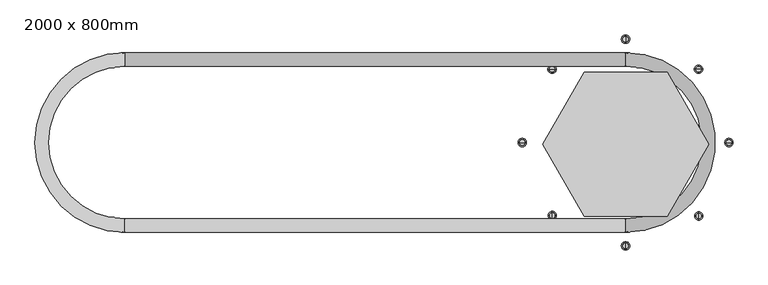
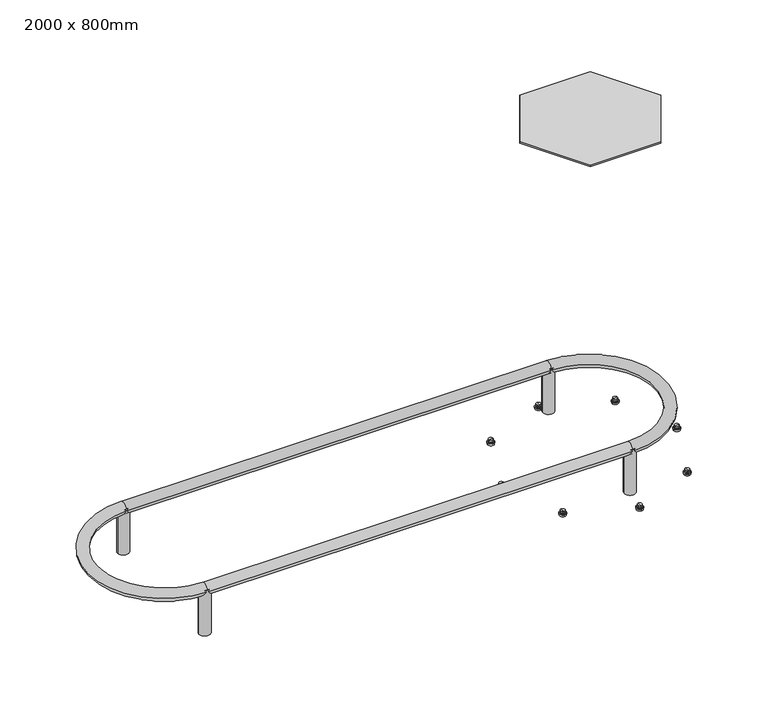
"""IFC4 building model written with IfcOpenShell, lengths in millimetres: furniture geometry, 2000 x 800mm."""

from ifc_helpers import new_model, si_unit, point, frame, frame_2d, origin, place, context, project, spatial, polyline, circle_curve, ellipse_curve, trimmed, segment, composite_curve, outline, extrude, source, transform, mapped, element, save
from ifc_brep_helpers import plane_surface, cylinder_surface, revolved_surface, advanced_brep


def furniture_2000_x_800mm_be9dba4f(model_context):
    return source(origin(), model_context, "Body", "SolidModel", [
        extrude(outline(composite_curve([segment(trimmed(circle_curve(frame_2d((0.0, 199.9998093)), 16.0), [point((-16.0, 199.9998093))], [point((16.0, 199.9998093))], False, "CARTESIAN"), True, "CONTINUOUS"), segment(trimmed(circle_curve(frame_2d((0.0, 199.9998093)), 16.0), [point((16.0, 199.9998093))], [point((-16.0, 199.9998093))], False, "CARTESIAN"), True, "CONTINUOUS")], self_intersect=False)), frame((0.0, 0.0, 22.6762868), z_axis=(0.0, 0.0, 1.0), x_axis=(1.0, 0.0, 0.0)), (0.0, 0.0, 1.0), 136.0123259),
        extrude(outline(composite_curve([segment(trimmed(circle_curve(frame_2d((0.0, -199.9998093)), 16.0), [point((-16.0, -199.9998093))], [point((16.0, -199.9998093))], False, "CARTESIAN"), True, "CONTINUOUS"), segment(trimmed(circle_curve(frame_2d((0.0, -199.9998093)), 16.0), [point((16.0, -199.9998093))], [point((-16.0, -199.9998093))], False, "CARTESIAN"), True, "CONTINUOUS")], self_intersect=False)), frame((0.0, 0.0, 22.6762868), z_axis=(0.0, 0.0, 1.0), x_axis=(1.0, 0.0, 0.0)), (0.0, 0.0, 1.0), 136.0123259),
        extrude(outline(composite_curve([segment(trimmed(circle_curve(frame_2d((1206.1968359, 199.9998093)), 16.0), [point((1190.1968359, 199.9998093))], [point((1222.1968359, 199.9998093))], False, "CARTESIAN"), True, "CONTINUOUS"), segment(trimmed(circle_curve(frame_2d((1206.1968359, 199.9998093)), 16.0), [point((1222.1968359, 199.9998093))], [point((1190.1968359, 199.9998093))], False, "CARTESIAN"), True, "CONTINUOUS")], self_intersect=False)), frame((0.0, 0.0, 22.6762868), z_axis=(0.0, 0.0, 1.0), x_axis=(1.0, 0.0, 0.0)), (0.0, 0.0, 1.0), 136.0123259),
        extrude(outline(composite_curve([segment(trimmed(circle_curve(frame_2d((1206.1968359, -199.9998093)), 16.0), [point((1190.1968359, -199.9998093))], [point((1222.1968359, -199.9998093))], False, "CARTESIAN"), True, "CONTINUOUS"), segment(trimmed(circle_curve(frame_2d((1206.1968359, -199.9998093)), 16.0), [point((1222.1968359, -199.9998093))], [point((1190.1968359, -199.9998093))], False, "CARTESIAN"), True, "CONTINUOUS")], self_intersect=False)), frame((0.0, 0.0, 22.6762868), z_axis=(0.0, 0.0, 1.0), x_axis=(1.0, 0.0, 0.0)), (0.0, 0.0, 1.0), 136.0123259),
        advanced_brep(
        [(1206.1968359, -216.2461451, 153.9999893), (1206.1968359, 216.2461451, 153.9999893), (1206.1968359, 183.7534734, 153.9999893), (1206.1968359, -183.7534734, 153.9999893), (0.0, -183.7534734, 153.9999893), (0.0, -216.2461451, 153.9999893), (0.0, 216.2461451, 153.9999893), (0.0, 183.7534734, 153.9999893)],
        [
            (0, 1, circle_curve(frame((1206.1968359, 0.0, 153.9999893), z_axis=(0.0, 0.0, 1.0), x_axis=(0.0, 1.0, 0.0)), 216.2461451)),
            (1, 2, circle_curve(frame((1206.1968359, 199.9998093, 153.9999893), z_axis=(1.0, 0.0, 0.0), x_axis=(0.0, 1.0, 0.0)), 16.2463359)),
            (2, 3, circle_curve(frame((1206.1968359, 0.0, 153.9999893), z_axis=(0.0, 0.0, -1.0), x_axis=(0.0, 1.0, 0.0)), 183.7534734)),
            (3, 0, circle_curve(frame((1206.1968359, -199.9998093, 153.9999893), z_axis=(1.0, 0.0, 0.0), x_axis=(0.0, -1.0, 0.0)), 16.2463359)),
            (2, 1, circle_curve(frame((1206.1968359, 199.9998093, 153.9999893), z_axis=(1.0, 0.0, 0.0), x_axis=(0.0, 1.0, 0.0)), 16.2463359)),
            (0, 3, circle_curve(frame((1206.1968359, -199.9998093, 153.9999893), z_axis=(1.0, 0.0, 0.0), x_axis=(0.0, -1.0, 0.0)), 16.2463359)),
            (3, 4),
            (4, 5, circle_curve(frame((0.0, -199.9998093, 153.9999893), z_axis=(1.0, 0.0, 0.0), x_axis=(0.0, -1.0, 0.0)), 16.2463359)),
            (5, 0),
            (5, 4, circle_curve(frame((0.0, -199.9998093, 153.9999893), z_axis=(1.0, 0.0, 0.0), x_axis=(0.0, -1.0, 0.0)), 16.2463359)),
            (6, 5, circle_curve(frame((0.0, 0.0, 153.9999893), z_axis=(0.0, 0.0, 1.0), x_axis=(0.0, -1.0, 0.0)), 216.2461451)),
            (4, 7, circle_curve(frame((0.0, 0.0, 153.9999893), z_axis=(0.0, 0.0, -1.0), x_axis=(0.0, -1.0, 0.0)), 183.7534734)),
            (7, 6, circle_curve(frame((0.0, 199.9998093, 153.9999893), z_axis=(-1.0, 0.0, 0.0), x_axis=(0.0, 1.0, 0.0)), 16.2463359)),
            (6, 7, circle_curve(frame((0.0, 199.9998093, 153.9999893), z_axis=(-1.0, 0.0, 0.0), x_axis=(0.0, 1.0, 0.0)), 16.2463359)),
            (7, 2),
            (1, 6),
        ],
        [
            revolved_surface(trimmed(ellipse_curve(frame((1206.1968359, 199.9998093, 153.9999893), z_axis=(-1.0, 0.0, 0.0), x_axis=(0.0, 1.0, 0.0)), 16.2463359, 16.2463359), [point((1206.1968359, 183.7534734, 153.9999893))], [point((1206.1968359, 216.2461451, 153.9999893))], True, "CARTESIAN"), (1206.1968359, 0.0, 0.0), (0.0, 0.0, -1.0)),
            revolved_surface(trimmed(ellipse_curve(frame((1206.1968359, 199.9998093, 153.9999893), z_axis=(-1.0, 0.0, 0.0), x_axis=(0.0, 1.0, 0.0)), 16.2463359, 16.2463359), [point((1206.1968359, 216.2461451, 153.9999893))], [point((1206.1968359, 183.7534734, 153.9999893))], True, "CARTESIAN"), (1206.1968359, 0.0, 0.0), (0.0, 0.0, -1.0)),
            cylinder_surface(frame((1206.1968359, -199.9998093, 153.9999893), z_axis=(1.0, 0.0, 0.0), x_axis=(0.0, -1.0, 0.0)), 16.2463359),
            revolved_surface(trimmed(ellipse_curve(frame((0.0, -199.9998093, 153.9999893), z_axis=(1.0, 0.0, 0.0), x_axis=(0.0, -1.0, 0.0)), 16.2463359, 16.2463359), [point((0.0, -183.7534734, 153.9999893))], [point((0.0, -216.2461451, 153.9999893))], True, "CARTESIAN"), (0.0, 0.0, 0.0), (0.0, 0.0, -1.0)),
            revolved_surface(trimmed(ellipse_curve(frame((0.0, -199.9998093, 153.9999893), z_axis=(1.0, 0.0, 0.0), x_axis=(0.0, -1.0, 0.0)), 16.2463359, 16.2463359), [point((0.0, -216.2461451, 153.9999893))], [point((0.0, -183.7534734, 153.9999893))], True, "CARTESIAN"), (0.0, 0.0, 0.0), (0.0, 0.0, -1.0)),
            cylinder_surface(frame((0.0, 199.9998093, 153.9999893), z_axis=(-1.0, 0.0, 0.0), x_axis=(0.0, 1.0, 0.0)), 16.2463359),
        ],
        [
            (0, [[1, 2, 3, 4]]),
            (1, [[-3, 5, -1, 6]]),
            (2, [[-4, 7, 8, 9]]),
            (2, [[-6, -9, 10, -7]]),
            (3, [[11, -8, 12, 13]]),
            (4, [[-12, -10, -11, 14]]),
            (5, [[-13, 15, -2, 16]]),
            (5, [[-14, -16, -5, -15]]),
        ],
    ),
        extrude(outline(polyline([(1106.1968882, 168.5153562), (1306.1967837, 168.5153562), (1406.1965794, -4.6898216), (1306.1967715, -177.8950728), (1106.1968914, -177.8950728), (1006.1968202, -4.6903452), (1106.1968882, 168.5153562)])), frame((0.0, 0.0, 1018.9250885), z_axis=(0.0, 0.0, 1.0), x_axis=(1.0, 0.0, 0.0)), (0.0, 0.0, 1.0), 5.0391748),
        advanced_brep(
        [(1375.6003837, 176.3714444, 13.7177537), (1388.5727198, 176.3714444, 13.7177537), (1382.0865517, 176.3714444, 13.7177537), (1375.6003837, 176.3714444, 9.5464368), (1388.5727198, 176.3714444, 9.5464368), (1378.7415913, 176.3714444, 9.5464368), (1385.4315122, 176.3714444, 9.5464368), (1378.7415913, 176.3714444, 6.7188998), (1385.4315122, 176.3714444, 6.7188998), (1375.0404536, 176.3714444, 6.7188998), (1389.1326499, 176.3714444, 6.7188998), (1375.0404536, 176.3714444, 5.5990832), (1389.1326499, 176.3714444, 5.5990832), (1371.9608383, 176.3714444, 5.5990832), (1392.2122652, 176.3714444, 5.5990832), (1373.0806984, 176.3714444, 0.0), (1391.0924051, 176.3714444, 0.0), (1382.0865517, 176.3714444, 0.0)],
        [
            (0, 1, circle_curve(frame((1382.0865517, 176.3714444, 13.7177537), z_axis=(0.0, 0.0, 1.0), x_axis=(1.0, 0.0, 0.0)), 6.4861681)),
            (1, 2),
            (2, 0),
            (1, 0, circle_curve(frame((1382.0865517, 176.3714444, 13.7177537), z_axis=(0.0, 0.0, 1.0), x_axis=(1.0, 0.0, 0.0)), 6.4861681)),
            (3, 4, circle_curve(frame((1382.0865517, 176.3714444, 9.5464368), z_axis=(0.0, 0.0, 1.0), x_axis=(1.0, 0.0, 0.0)), 6.4861681)),
            (4, 1),
            (0, 3),
            (4, 3, circle_curve(frame((1382.0865517, 176.3714444, 9.5464368), z_axis=(0.0, 0.0, 1.0), x_axis=(1.0, 0.0, 0.0)), 6.4861681)),
            (5, 6, circle_curve(frame((1382.0865517, 176.3714444, 9.5464368), z_axis=(0.0, 0.0, 1.0), x_axis=(1.0, 0.0, 0.0)), 3.3449605)),
            (6, 4),
            (3, 5),
            (6, 5, circle_curve(frame((1382.0865517, 176.3714444, 9.5464368), z_axis=(0.0, 0.0, 1.0), x_axis=(1.0, 0.0, 0.0)), 3.3449605)),
            (7, 8, circle_curve(frame((1382.0865517, 176.3714444, 6.7188998), z_axis=(0.0, 0.0, 1.0), x_axis=(1.0, 0.0, 0.0)), 3.3449605)),
            (8, 6),
            (5, 7),
            (8, 7, circle_curve(frame((1382.0865517, 176.3714444, 6.7188998), z_axis=(0.0, 0.0, 1.0), x_axis=(1.0, 0.0, 0.0)), 3.3449605)),
            (9, 10, circle_curve(frame((1382.0865517, 176.3714444, 6.7188998), z_axis=(0.0, 0.0, 1.0), x_axis=(1.0, 0.0, 0.0)), 7.0460981)),
            (10, 8),
            (7, 9),
            (10, 9, circle_curve(frame((1382.0865517, 176.3714444, 6.7188998), z_axis=(0.0, 0.0, 1.0), x_axis=(1.0, 0.0, 0.0)), 7.0460981)),
            (11, 12, circle_curve(frame((1382.0865517, 176.3714444, 5.5990832), z_axis=(0.0, 0.0, 1.0), x_axis=(1.0, 0.0, 0.0)), 7.0460981)),
            (12, 10),
            (9, 11),
            (12, 11, circle_curve(frame((1382.0865517, 176.3714444, 5.5990832), z_axis=(0.0, 0.0, 1.0), x_axis=(1.0, 0.0, 0.0)), 7.0460981)),
            (13, 14, circle_curve(frame((1382.0865517, 176.3714444, 5.5990832), z_axis=(0.0, 0.0, 1.0), x_axis=(1.0, 0.0, 0.0)), 10.1257135)),
            (14, 12),
            (11, 13),
            (14, 13, circle_curve(frame((1382.0865517, 176.3714444, 5.5990832), z_axis=(0.0, 0.0, 1.0), x_axis=(1.0, 0.0, 0.0)), 10.1257135)),
            (15, 16, circle_curve(frame((1382.0865517, 176.3714444, 0.0), z_axis=(0.0, 0.0, 1.0), x_axis=(1.0, 0.0, 0.0)), 9.0058533)),
            (16, 14),
            (13, 15),
            (16, 15, circle_curve(frame((1382.0865517, 176.3714444, 0.0), z_axis=(0.0, 0.0, 1.0), x_axis=(1.0, 0.0, 0.0)), 9.0058533)),
            (17, 16),
            (15, 17),
        ],
        [
            plane_surface(frame((1382.0865517, 176.3714444, 13.7177537), z_axis=(0.0, 0.0, 1.0), x_axis=(1.0, 0.0, 0.0))),
            cylinder_surface(frame((1382.0865517, 176.3714444, 9.5464368), z_axis=(0.0, 0.0, -1.0), x_axis=(1.0, 0.0, 0.0)), 6.4861681),
            plane_surface(frame((1382.0865517, 176.3714444, 9.5464368), z_axis=(0.0, 0.0, -1.0), x_axis=(1.0, 0.0, 0.0))),
            cylinder_surface(frame((1382.0865517, 176.3714444, 9.5464368), z_axis=(0.0, 0.0, -1.0), x_axis=(1.0, 0.0, 0.0)), 3.3449605),
            plane_surface(frame((1382.0865517, 176.3714444, 6.7188998), z_axis=(0.0, 0.0, 1.0), x_axis=(1.0, 0.0, 0.0))),
            cylinder_surface(frame((1382.0865517, 176.3714444, 9.5464368), z_axis=(0.0, 0.0, -1.0), x_axis=(1.0, 0.0, 0.0)), 7.0460981),
            plane_surface(frame((1382.0865517, 176.3714444, 5.5990832), z_axis=(0.0, 0.0, 1.0), x_axis=(1.0, 0.0, 0.0))),
            revolved_surface(polyline([(1392.2122652, 176.3714444, 5.5990832), (1391.0924051, 176.3714444, 0.0)]), (1382.0865517, 176.3714444, 9.5464368), (0.0, 0.0, -1.0)),
            plane_surface(frame((1382.0865517, 176.3714444, 0.0), z_axis=(0.0, 0.0, -1.0), x_axis=(1.0, 0.0, 0.0))),
        ],
        [
            (0, [[1, 2, 3]]),
            (0, [[4, -3, -2]]),
            (1, [[5, 6, -1, 7]]),
            (1, [[8, -7, -4, -6]]),
            (2, [[9, 10, -5, 11]]),
            (2, [[12, -11, -8, -10]]),
            (3, [[13, 14, -9, 15]]),
            (3, [[16, -15, -12, -14]]),
            (4, [[17, 18, -13, 19]]),
            (4, [[20, -19, -16, -18]]),
            (5, [[21, 22, -17, 23]]),
            (5, [[24, -23, -20, -22]]),
            (6, [[25, 26, -21, 27]]),
            (6, [[28, -27, -24, -26]]),
            (7, [[29, 30, -25, 31]]),
            (7, [[32, -31, -28, -30]]),
            (8, [[33, -29, 34]]),
            (8, [[-34, -32, -33]]),
        ],
    ),
        advanced_brep(
        [(1029.8253915, -175.8897158, 13.7177537), (1029.8253915, -182.3758839, 13.7177537), (1029.8253915, -169.4035477, 13.7177537), (1029.8253915, -182.3758839, 9.5464368), (1029.8253915, -169.4035477, 9.5464368), (1029.8253915, -179.2346763, 9.5464368), (1029.8253915, -172.5447553, 9.5464368), (1029.8253915, -179.2346763, 6.7188998), (1029.8253915, -172.5447553, 6.7188998), (1029.8253915, -182.935814, 6.7188998), (1029.8253915, -168.8436177, 6.7188998), (1029.8253915, -182.935814, 5.5990832), (1029.8253915, -168.8436177, 5.5990832), (1029.8253915, -186.0154293, 5.5990832), (1029.8253915, -165.7640024, 5.5990832), (1029.8253915, -184.8955692, 0.0), (1029.8253915, -166.8838625, 0.0), (1029.8253915, -175.8897158, 0.0)],
        [
            (0, 1),
            (1, 2, circle_curve(frame((1029.8253915, -175.8897158, 13.7177537), z_axis=(0.0, 0.0, 1.0), x_axis=(0.0, -1.0, 0.0)), 6.4861681)),
            (2, 0),
            (2, 1, circle_curve(frame((1029.8253915, -175.8897158, 13.7177537), z_axis=(0.0, 0.0, 1.0), x_axis=(0.0, -1.0, 0.0)), 6.4861681)),
            (1, 3),
            (3, 4, circle_curve(frame((1029.8253915, -175.8897158, 9.5464368), z_axis=(0.0, 0.0, 1.0), x_axis=(0.0, -1.0, 0.0)), 6.4861681)),
            (4, 2),
            (4, 3, circle_curve(frame((1029.8253915, -175.8897158, 9.5464368), z_axis=(0.0, 0.0, 1.0), x_axis=(0.0, -1.0, 0.0)), 6.4861681)),
            (3, 5),
            (5, 6, circle_curve(frame((1029.8253915, -175.8897158, 9.5464368), z_axis=(0.0, 0.0, 1.0), x_axis=(0.0, -1.0, 0.0)), 3.3449605)),
            (6, 4),
            (6, 5, circle_curve(frame((1029.8253915, -175.8897158, 9.5464368), z_axis=(0.0, 0.0, 1.0), x_axis=(0.0, -1.0, 0.0)), 3.3449605)),
            (5, 7),
            (7, 8, circle_curve(frame((1029.8253915, -175.8897158, 6.7188998), z_axis=(0.0, 0.0, 1.0), x_axis=(0.0, -1.0, 0.0)), 3.3449605)),
            (8, 6),
            (8, 7, circle_curve(frame((1029.8253915, -175.8897158, 6.7188998), z_axis=(0.0, 0.0, 1.0), x_axis=(0.0, -1.0, 0.0)), 3.3449605)),
            (7, 9),
            (9, 10, circle_curve(frame((1029.8253915, -175.8897158, 6.7188998), z_axis=(0.0, 0.0, 1.0), x_axis=(0.0, -1.0, 0.0)), 7.0460981)),
            (10, 8),
            (10, 9, circle_curve(frame((1029.8253915, -175.8897158, 6.7188998), z_axis=(0.0, 0.0, 1.0), x_axis=(0.0, -1.0, 0.0)), 7.0460981)),
            (9, 11),
            (11, 12, circle_curve(frame((1029.8253915, -175.8897158, 5.5990832), z_axis=(0.0, 0.0, 1.0), x_axis=(0.0, -1.0, 0.0)), 7.0460981)),
            (12, 10),
            (12, 11, circle_curve(frame((1029.8253915, -175.8897158, 5.5990832), z_axis=(0.0, 0.0, 1.0), x_axis=(0.0, -1.0, 0.0)), 7.0460981)),
            (11, 13),
            (13, 14, circle_curve(frame((1029.8253915, -175.8897158, 5.5990832), z_axis=(0.0, 0.0, 1.0), x_axis=(0.0, -1.0, 0.0)), 10.1257135)),
            (14, 12),
            (14, 13, circle_curve(frame((1029.8253915, -175.8897158, 5.5990832), z_axis=(0.0, 0.0, 1.0), x_axis=(0.0, -1.0, 0.0)), 10.1257135)),
            (13, 15),
            (15, 16, circle_curve(frame((1029.8253915, -175.8897158, 0.0), z_axis=(0.0, 0.0, 1.0), x_axis=(0.0, -1.0, 0.0)), 9.0058533)),
            (16, 14),
            (16, 15, circle_curve(frame((1029.8253915, -175.8897158, 0.0), z_axis=(0.0, 0.0, 1.0), x_axis=(0.0, -1.0, 0.0)), 9.0058533)),
            (15, 17),
            (17, 16),
        ],
        [
            plane_surface(frame((1029.8253915, -175.8897158, 13.7177537), z_axis=(0.0, 0.0, 1.0), x_axis=(0.0, -1.0, 0.0))),
            cylinder_surface(frame((1029.8253915, -175.8897158, 9.5464368), z_axis=(0.0, 0.0, 1.0), x_axis=(0.0, -1.0, 0.0)), 6.4861681),
            plane_surface(frame((1029.8253915, -175.8897158, 9.5464368), z_axis=(0.0, 0.0, -1.0), x_axis=(0.0, -1.0, 0.0))),
            cylinder_surface(frame((1029.8253915, -175.8897158, 9.5464368), z_axis=(0.0, 0.0, 1.0), x_axis=(0.0, -1.0, 0.0)), 3.3449605),
            plane_surface(frame((1029.8253915, -175.8897158, 6.7188998), z_axis=(0.0, 0.0, 1.0), x_axis=(0.0, -1.0, 0.0))),
            cylinder_surface(frame((1029.8253915, -175.8897158, 9.5464368), z_axis=(0.0, 0.0, 1.0), x_axis=(0.0, -1.0, 0.0)), 7.0460981),
            plane_surface(frame((1029.8253915, -175.8897158, 5.5990832), z_axis=(0.0, 0.0, 1.0), x_axis=(0.0, -1.0, 0.0))),
            revolved_surface(polyline([(1029.8253915, -184.8955692, 0.0), (1029.8253915, -186.0154293, 5.5990832)]), (1029.8253915, -175.8897158, 9.5464368), (0.0, 0.0, 1.0)),
            plane_surface(frame((1029.8253915, -175.8897158, 0.0), z_axis=(0.0, 0.0, -1.0), x_axis=(0.0, -1.0, 0.0))),
        ],
        [
            (0, [[1, 2, 3]]),
            (0, [[-3, 4, -1]]),
            (1, [[-2, 5, 6, 7]]),
            (1, [[-4, -7, 8, -5]]),
            (2, [[-6, 9, 10, 11]]),
            (2, [[-8, -11, 12, -9]]),
            (3, [[-10, 13, 14, 15]]),
            (3, [[-12, -15, 16, -13]]),
            (4, [[-14, 17, 18, 19]]),
            (4, [[-16, -19, 20, -17]]),
            (5, [[-18, 21, 22, 23]]),
            (5, [[-20, -23, 24, -21]]),
            (6, [[-22, 25, 26, 27]]),
            (6, [[-24, -27, 28, -25]]),
            (7, [[-26, 29, 30, 31]]),
            (7, [[-28, -31, 32, -29]]),
            (8, [[-30, 33, 34]]),
            (8, [[-32, -34, -33]]),
        ],
    ),
        advanced_brep(
        [(1382.5138583, -176.8722705, 13.7177537), (1382.5138583, -183.3584386, 13.7177537), (1382.5138583, -170.3861024, 13.7177537), (1382.5138583, -183.3584386, 9.5464368), (1382.5138583, -170.3861024, 9.5464368), (1382.5138583, -180.217231, 9.5464368), (1382.5138583, -173.52731, 9.5464368), (1382.5138583, -180.217231, 6.7188998), (1382.5138583, -173.52731, 6.7188998), (1382.5138583, -183.9183686, 6.7188998), (1382.5138583, -169.8261723, 6.7188998), (1382.5138583, -183.9183686, 5.5990832), (1382.5138583, -169.8261723, 5.5990832), (1382.5138583, -186.9979839, 5.5990832), (1382.5138583, -166.746557, 5.5990832), (1382.5138583, -185.8781238, 0.0), (1382.5138583, -167.8664171, 0.0), (1382.5138583, -176.8722705, 0.0)],
        [
            (0, 1),
            (1, 2, circle_curve(frame((1382.5138583, -176.8722705, 13.7177537), z_axis=(0.0, 0.0, 1.0), x_axis=(0.0, -1.0, 0.0)), 6.4861681)),
            (2, 0),
            (2, 1, circle_curve(frame((1382.5138583, -176.8722705, 13.7177537), z_axis=(0.0, 0.0, 1.0), x_axis=(0.0, -1.0, 0.0)), 6.4861681)),
            (1, 3),
            (3, 4, circle_curve(frame((1382.5138583, -176.8722705, 9.5464368), z_axis=(0.0, 0.0, 1.0), x_axis=(0.0, -1.0, 0.0)), 6.4861681)),
            (4, 2),
            (4, 3, circle_curve(frame((1382.5138583, -176.8722705, 9.5464368), z_axis=(0.0, 0.0, 1.0), x_axis=(0.0, -1.0, 0.0)), 6.4861681)),
            (3, 5),
            (5, 6, circle_curve(frame((1382.5138583, -176.8722705, 9.5464368), z_axis=(0.0, 0.0, 1.0), x_axis=(0.0, -1.0, 0.0)), 3.3449605)),
            (6, 4),
            (6, 5, circle_curve(frame((1382.5138583, -176.8722705, 9.5464368), z_axis=(0.0, 0.0, 1.0), x_axis=(0.0, -1.0, 0.0)), 3.3449605)),
            (5, 7),
            (7, 8, circle_curve(frame((1382.5138583, -176.8722705, 6.7188998), z_axis=(0.0, 0.0, 1.0), x_axis=(0.0, -1.0, 0.0)), 3.3449605)),
            (8, 6),
            (8, 7, circle_curve(frame((1382.5138583, -176.8722705, 6.7188998), z_axis=(0.0, 0.0, 1.0), x_axis=(0.0, -1.0, 0.0)), 3.3449605)),
            (7, 9),
            (9, 10, circle_curve(frame((1382.5138583, -176.8722705, 6.7188998), z_axis=(0.0, 0.0, 1.0), x_axis=(0.0, -1.0, 0.0)), 7.0460981)),
            (10, 8),
            (10, 9, circle_curve(frame((1382.5138583, -176.8722705, 6.7188998), z_axis=(0.0, 0.0, 1.0), x_axis=(0.0, -1.0, 0.0)), 7.0460981)),
            (9, 11),
            (11, 12, circle_curve(frame((1382.5138583, -176.8722705, 5.5990832), z_axis=(0.0, 0.0, 1.0), x_axis=(0.0, -1.0, 0.0)), 7.0460981)),
            (12, 10),
            (12, 11, circle_curve(frame((1382.5138583, -176.8722705, 5.5990832), z_axis=(0.0, 0.0, 1.0), x_axis=(0.0, -1.0, 0.0)), 7.0460981)),
            (11, 13),
            (13, 14, circle_curve(frame((1382.5138583, -176.8722705, 5.5990832), z_axis=(0.0, 0.0, 1.0), x_axis=(0.0, -1.0, 0.0)), 10.1257135)),
            (14, 12),
            (14, 13, circle_curve(frame((1382.5138583, -176.8722705, 5.5990832), z_axis=(0.0, 0.0, 1.0), x_axis=(0.0, -1.0, 0.0)), 10.1257135)),
            (13, 15),
            (15, 16, circle_curve(frame((1382.5138583, -176.8722705, 0.0), z_axis=(0.0, 0.0, 1.0), x_axis=(0.0, -1.0, 0.0)), 9.0058533)),
            (16, 14),
            (16, 15, circle_curve(frame((1382.5138583, -176.8722705, 0.0), z_axis=(0.0, 0.0, 1.0), x_axis=(0.0, -1.0, 0.0)), 9.0058533)),
            (15, 17),
            (17, 16),
        ],
        [
            plane_surface(frame((1382.5138583, -176.8722705, 13.7177537), z_axis=(0.0, 0.0, 1.0), x_axis=(0.0, -1.0, 0.0))),
            cylinder_surface(frame((1382.5138583, -176.8722705, 9.5464368), z_axis=(0.0, 0.0, 1.0), x_axis=(0.0, -1.0, 0.0)), 6.4861681),
            plane_surface(frame((1382.5138583, -176.8722705, 9.5464368), z_axis=(0.0, 0.0, -1.0), x_axis=(0.0, -1.0, 0.0))),
            cylinder_surface(frame((1382.5138583, -176.8722705, 9.5464368), z_axis=(0.0, 0.0, 1.0), x_axis=(0.0, -1.0, 0.0)), 3.3449605),
            plane_surface(frame((1382.5138583, -176.8722705, 6.7188998), z_axis=(0.0, 0.0, 1.0), x_axis=(0.0, -1.0, 0.0))),
            cylinder_surface(frame((1382.5138583, -176.8722705, 9.5464368), z_axis=(0.0, 0.0, 1.0), x_axis=(0.0, -1.0, 0.0)), 7.0460981),
            plane_surface(frame((1382.5138583, -176.8722705, 5.5990832), z_axis=(0.0, 0.0, 1.0), x_axis=(0.0, -1.0, 0.0))),
            revolved_surface(polyline([(1382.5138583, -185.8781238, 0.0), (1382.5138583, -186.9979839, 5.5990832)]), (1382.5138583, -176.8722705, 9.5464368), (0.0, 0.0, 1.0)),
            plane_surface(frame((1382.5138583, -176.8722705, 0.0), z_axis=(0.0, 0.0, -1.0), x_axis=(0.0, -1.0, 0.0))),
        ],
        [
            (0, [[1, 2, 3]]),
            (0, [[-3, 4, -1]]),
            (1, [[-2, 5, 6, 7]]),
            (1, [[-4, -7, 8, -5]]),
            (2, [[-6, 9, 10, 11]]),
            (2, [[-8, -11, 12, -9]]),
            (3, [[-10, 13, 14, 15]]),
            (3, [[-12, -15, 16, -13]]),
            (4, [[-14, 17, 18, 19]]),
            (4, [[-16, -19, 20, -17]]),
            (5, [[-18, 21, 22, 23]]),
            (5, [[-20, -23, 24, -21]]),
            (6, [[-22, 25, 26, 27]]),
            (6, [[-24, -27, 28, -25]]),
            (7, [[-26, 29, 30, 31]]),
            (7, [[-28, -31, 32, -29]]),
            (8, [[-30, 33, 34]]),
            (8, [[-32, -34, -33]]),
        ],
    ),
        advanced_brep(
        [(1035.8107335, 176.3170223, 13.7177537), (1022.8383974, 176.3170223, 13.7177537), (1029.3245655, 176.3170223, 13.7177537), (1035.8107335, 176.3170223, 9.5464368), (1022.8383974, 176.3170223, 9.5464368), (1032.6695259, 176.3170223, 9.5464368), (1025.979605, 176.3170223, 9.5464368), (1032.6695259, 176.3170223, 6.7188998), (1025.979605, 176.3170223, 6.7188998), (1036.3706636, 176.3170223, 6.7188998), (1022.2784673, 176.3170223, 6.7188998), (1036.3706636, 176.3170223, 5.5990832), (1022.2784673, 176.3170223, 5.5990832), (1039.4502789, 176.3170223, 5.5990832), (1019.198852, 176.3170223, 5.5990832), (1038.3304188, 176.3170223, 0.0), (1020.3187121, 176.3170223, 0.0), (1029.3245655, 176.3170223, 0.0)],
        [
            (0, 1, circle_curve(frame((1029.3245655, 176.3170223, 13.7177537), z_axis=(0.0, 0.0, 1.0), x_axis=(-1.0, 0.0, 0.0)), 6.4861681)),
            (1, 2),
            (2, 0),
            (1, 0, circle_curve(frame((1029.3245655, 176.3170223, 13.7177537), z_axis=(0.0, 0.0, 1.0), x_axis=(-1.0, 0.0, 0.0)), 6.4861681)),
            (3, 4, circle_curve(frame((1029.3245655, 176.3170223, 9.5464368), z_axis=(0.0, 0.0, 1.0), x_axis=(-1.0, 0.0, 0.0)), 6.4861681)),
            (4, 1),
            (0, 3),
            (4, 3, circle_curve(frame((1029.3245655, 176.3170223, 9.5464368), z_axis=(0.0, 0.0, 1.0), x_axis=(-1.0, 0.0, 0.0)), 6.4861681)),
            (5, 6, circle_curve(frame((1029.3245655, 176.3170223, 9.5464368), z_axis=(0.0, 0.0, 1.0), x_axis=(-1.0, 0.0, 0.0)), 3.3449605)),
            (6, 4),
            (3, 5),
            (6, 5, circle_curve(frame((1029.3245655, 176.3170223, 9.5464368), z_axis=(0.0, 0.0, 1.0), x_axis=(-1.0, 0.0, 0.0)), 3.3449605)),
            (7, 8, circle_curve(frame((1029.3245655, 176.3170223, 6.7188998), z_axis=(0.0, 0.0, 1.0), x_axis=(-1.0, 0.0, 0.0)), 3.3449605)),
            (8, 6),
            (5, 7),
            (8, 7, circle_curve(frame((1029.3245655, 176.3170223, 6.7188998), z_axis=(0.0, 0.0, 1.0), x_axis=(-1.0, 0.0, 0.0)), 3.3449605)),
            (9, 10, circle_curve(frame((1029.3245655, 176.3170223, 6.7188998), z_axis=(0.0, 0.0, 1.0), x_axis=(-1.0, 0.0, 0.0)), 7.0460981)),
            (10, 8),
            (7, 9),
            (10, 9, circle_curve(frame((1029.3245655, 176.3170223, 6.7188998), z_axis=(0.0, 0.0, 1.0), x_axis=(-1.0, 0.0, 0.0)), 7.0460981)),
            (11, 12, circle_curve(frame((1029.3245655, 176.3170223, 5.5990832), z_axis=(0.0, 0.0, 1.0), x_axis=(-1.0, 0.0, 0.0)), 7.0460981)),
            (12, 10),
            (9, 11),
            (12, 11, circle_curve(frame((1029.3245655, 176.3170223, 5.5990832), z_axis=(0.0, 0.0, 1.0), x_axis=(-1.0, 0.0, 0.0)), 7.0460981)),
            (13, 14, circle_curve(frame((1029.3245655, 176.3170223, 5.5990832), z_axis=(0.0, 0.0, 1.0), x_axis=(-1.0, 0.0, 0.0)), 10.1257135)),
            (14, 12),
            (11, 13),
            (14, 13, circle_curve(frame((1029.3245655, 176.3170223, 5.5990832), z_axis=(0.0, 0.0, 1.0), x_axis=(-1.0, 0.0, 0.0)), 10.1257135)),
            (15, 16, circle_curve(frame((1029.3245655, 176.3170223, 0.0), z_axis=(0.0, 0.0, 1.0), x_axis=(-1.0, 0.0, 0.0)), 9.0058533)),
            (16, 14),
            (13, 15),
            (16, 15, circle_curve(frame((1029.3245655, 176.3170223, 0.0), z_axis=(0.0, 0.0, 1.0), x_axis=(-1.0, 0.0, 0.0)), 9.0058533)),
            (17, 16),
            (15, 17),
        ],
        [
            plane_surface(frame((1029.3245655, 176.3170223, 13.7177537), z_axis=(0.0, 0.0, 1.0), x_axis=(-1.0, 0.0, 0.0))),
            cylinder_surface(frame((1029.3245655, 176.3170223, 9.5464368), z_axis=(0.0, 0.0, -1.0), x_axis=(-1.0, 0.0, 0.0)), 6.4861681),
            plane_surface(frame((1029.3245655, 176.3170223, 9.5464368), z_axis=(0.0, 0.0, -1.0), x_axis=(-1.0, 0.0, 0.0))),
            cylinder_surface(frame((1029.3245655, 176.3170223, 9.5464368), z_axis=(0.0, 0.0, -1.0), x_axis=(-1.0, 0.0, 0.0)), 3.3449605),
            plane_surface(frame((1029.3245655, 176.3170223, 6.7188998), z_axis=(0.0, 0.0, 1.0), x_axis=(-1.0, 0.0, 0.0))),
            cylinder_surface(frame((1029.3245655, 176.3170223, 9.5464368), z_axis=(0.0, 0.0, -1.0), x_axis=(-1.0, 0.0, 0.0)), 7.0460981),
            plane_surface(frame((1029.3245655, 176.3170223, 5.5990832), z_axis=(0.0, 0.0, 1.0), x_axis=(-1.0, 0.0, 0.0))),
            revolved_surface(polyline([(1019.198852, 176.3170223, 5.5990832), (1020.3187121, 176.3170223, 0.0)]), (1029.3245655, 176.3170223, 9.5464368), (0.0, 0.0, -1.0)),
            plane_surface(frame((1029.3245655, 176.3170223, 0.0), z_axis=(0.0, 0.0, -1.0), x_axis=(-1.0, 0.0, 0.0))),
        ],
        [
            (0, [[1, 2, 3]]),
            (0, [[4, -3, -2]]),
            (1, [[5, 6, -1, 7]]),
            (1, [[8, -7, -4, -6]]),
            (2, [[9, 10, -5, 11]]),
            (2, [[12, -11, -8, -10]]),
            (3, [[13, 14, -9, 15]]),
            (3, [[16, -15, -12, -14]]),
            (4, [[17, 18, -13, 19]]),
            (4, [[20, -19, -16, -18]]),
            (5, [[21, 22, -17, 23]]),
            (5, [[24, -23, -20, -22]]),
            (6, [[25, 26, -21, 27]]),
            (6, [[28, -27, -24, -26]]),
            (7, [[29, 30, -25, 31]]),
            (7, [[32, -31, -28, -30]]),
            (8, [[33, -29, 34]]),
            (8, [[-34, -32, -33]]),
        ],
    ),
        advanced_brep(
        [(1206.1968359, 248.8688764, 13.7177537), (1206.1968359, 255.3550445, 13.7177537), (1206.1968359, 242.3827083, 13.7177537), (1206.1968359, 255.3550445, 9.5464368), (1206.1968359, 242.3827083, 9.5464368), (1206.1968359, 252.2138369, 9.5464368), (1206.1968359, 245.5239159, 9.5464368), (1206.1968359, 252.2138369, 6.7188998), (1206.1968359, 245.5239159, 6.7188998), (1206.1968359, 255.9149745, 6.7188998), (1206.1968359, 241.8227782, 6.7188998), (1206.1968359, 255.9149745, 5.5990832), (1206.1968359, 241.8227782, 5.5990832), (1206.1968359, 258.9945898, 5.5990832), (1206.1968359, 238.7431629, 5.5990832), (1206.1968359, 257.8747297, 0.0), (1206.1968359, 239.863023, 0.0), (1206.1968359, 248.8688764, 0.0)],
        [
            (0, 1),
            (1, 2, circle_curve(frame((1206.1968359, 248.8688764, 13.7177537), z_axis=(0.0, 0.0, 1.0), x_axis=(0.0, 1.0, 0.0)), 6.4861681)),
            (2, 0),
            (2, 1, circle_curve(frame((1206.1968359, 248.8688764, 13.7177537), z_axis=(0.0, 0.0, 1.0), x_axis=(0.0, 1.0, 0.0)), 6.4861681)),
            (1, 3),
            (3, 4, circle_curve(frame((1206.1968359, 248.8688764, 9.5464368), z_axis=(0.0, 0.0, 1.0), x_axis=(0.0, 1.0, 0.0)), 6.4861681)),
            (4, 2),
            (4, 3, circle_curve(frame((1206.1968359, 248.8688764, 9.5464368), z_axis=(0.0, 0.0, 1.0), x_axis=(0.0, 1.0, 0.0)), 6.4861681)),
            (3, 5),
            (5, 6, circle_curve(frame((1206.1968359, 248.8688764, 9.5464368), z_axis=(0.0, 0.0, 1.0), x_axis=(0.0, 1.0, 0.0)), 3.3449605)),
            (6, 4),
            (6, 5, circle_curve(frame((1206.1968359, 248.8688764, 9.5464368), z_axis=(0.0, 0.0, 1.0), x_axis=(0.0, 1.0, 0.0)), 3.3449605)),
            (5, 7),
            (7, 8, circle_curve(frame((1206.1968359, 248.8688764, 6.7188998), z_axis=(0.0, 0.0, 1.0), x_axis=(0.0, 1.0, 0.0)), 3.3449605)),
            (8, 6),
            (8, 7, circle_curve(frame((1206.1968359, 248.8688764, 6.7188998), z_axis=(0.0, 0.0, 1.0), x_axis=(0.0, 1.0, 0.0)), 3.3449605)),
            (7, 9),
            (9, 10, circle_curve(frame((1206.1968359, 248.8688764, 6.7188998), z_axis=(0.0, 0.0, 1.0), x_axis=(0.0, 1.0, 0.0)), 7.0460981)),
            (10, 8),
            (10, 9, circle_curve(frame((1206.1968359, 248.8688764, 6.7188998), z_axis=(0.0, 0.0, 1.0), x_axis=(0.0, 1.0, 0.0)), 7.0460981)),
            (9, 11),
            (11, 12, circle_curve(frame((1206.1968359, 248.8688764, 5.5990832), z_axis=(0.0, 0.0, 1.0), x_axis=(0.0, 1.0, 0.0)), 7.0460981)),
            (12, 10),
            (12, 11, circle_curve(frame((1206.1968359, 248.8688764, 5.5990832), z_axis=(0.0, 0.0, 1.0), x_axis=(0.0, 1.0, 0.0)), 7.0460981)),
            (11, 13),
            (13, 14, circle_curve(frame((1206.1968359, 248.8688764, 5.5990832), z_axis=(0.0, 0.0, 1.0), x_axis=(0.0, 1.0, 0.0)), 10.1257135)),
            (14, 12),
            (14, 13, circle_curve(frame((1206.1968359, 248.8688764, 5.5990832), z_axis=(0.0, 0.0, 1.0), x_axis=(0.0, 1.0, 0.0)), 10.1257135)),
            (13, 15),
            (15, 16, circle_curve(frame((1206.1968359, 248.8688764, 0.0), z_axis=(0.0, 0.0, 1.0), x_axis=(0.0, 1.0, 0.0)), 9.0058533)),
            (16, 14),
            (16, 15, circle_curve(frame((1206.1968359, 248.8688764, 0.0), z_axis=(0.0, 0.0, 1.0), x_axis=(0.0, 1.0, 0.0)), 9.0058533)),
            (15, 17),
            (17, 16),
        ],
        [
            plane_surface(frame((1206.1968359, 248.8688764, 13.7177537), z_axis=(0.0, 0.0, 1.0), x_axis=(0.0, 1.0, 0.0))),
            cylinder_surface(frame((1206.1968359, 248.8688764, 9.5464368), z_axis=(0.0, 0.0, 1.0), x_axis=(0.0, 1.0, 0.0)), 6.4861681),
            plane_surface(frame((1206.1968359, 248.8688764, 9.5464368), z_axis=(0.0, 0.0, -1.0), x_axis=(0.0, 1.0, 0.0))),
            cylinder_surface(frame((1206.1968359, 248.8688764, 9.5464368), z_axis=(0.0, 0.0, 1.0), x_axis=(0.0, 1.0, 0.0)), 3.3449605),
            plane_surface(frame((1206.1968359, 248.8688764, 6.7188998), z_axis=(0.0, 0.0, 1.0), x_axis=(0.0, 1.0, 0.0))),
            cylinder_surface(frame((1206.1968359, 248.8688764, 9.5464368), z_axis=(0.0, 0.0, 1.0), x_axis=(0.0, 1.0, 0.0)), 7.0460981),
            plane_surface(frame((1206.1968359, 248.8688764, 5.5990832), z_axis=(0.0, 0.0, 1.0), x_axis=(0.0, 1.0, 0.0))),
            revolved_surface(polyline([(1206.1968359, 257.8747297, 0.0), (1206.1968359, 258.9945898, 5.5990832)]), (1206.1968359, 248.8688764, 9.5464368), (0.0, 0.0, 1.0)),
            plane_surface(frame((1206.1968359, 248.8688764, 0.0), z_axis=(0.0, 0.0, -1.0), x_axis=(0.0, 1.0, 0.0))),
        ],
        [
            (0, [[1, 2, 3]]),
            (0, [[-3, 4, -1]]),
            (1, [[-2, 5, 6, 7]]),
            (1, [[-4, -7, 8, -5]]),
            (2, [[-6, 9, 10, 11]]),
            (2, [[-8, -11, 12, -9]]),
            (3, [[-10, 13, 14, 15]]),
            (3, [[-12, -15, 16, -13]]),
            (4, [[-14, 17, 18, 19]]),
            (4, [[-16, -19, 20, -17]]),
            (5, [[-18, 21, 22, 23]]),
            (5, [[-20, -23, 24, -21]]),
            (6, [[-22, 25, 26, 27]]),
            (6, [[-24, -27, 28, -25]]),
            (7, [[-26, 29, 30, 31]]),
            (7, [[-28, -31, 32, -29]]),
            (8, [[-30, 33, 34]]),
            (8, [[-32, -34, -33]]),
        ],
    ),
        advanced_brep(
        [(1206.1968359, -248.8688764, 13.7177537), (1206.1968359, -255.3550445, 13.7177537), (1206.1968359, -242.3827083, 13.7177537), (1206.1968359, -255.3550445, 9.5464368), (1206.1968359, -242.3827083, 9.5464368), (1206.1968359, -252.2138369, 9.5464368), (1206.1968359, -245.5239159, 9.5464368), (1206.1968359, -252.2138369, 6.7188998), (1206.1968359, -245.5239159, 6.7188998), (1206.1968359, -255.9149745, 6.7188998), (1206.1968359, -241.8227782, 6.7188998), (1206.1968359, -255.9149745, 5.5990832), (1206.1968359, -241.8227782, 5.5990832), (1206.1968359, -258.9945898, 5.5990832), (1206.1968359, -238.7431629, 5.5990832), (1206.1968359, -257.8747297, 0.0), (1206.1968359, -239.863023, 0.0), (1206.1968359, -248.8688764, 0.0)],
        [
            (0, 1),
            (1, 2, circle_curve(frame((1206.1968359, -248.8688764, 13.7177537), z_axis=(0.0, 0.0, 1.0), x_axis=(0.0, -1.0, 0.0)), 6.4861681)),
            (2, 0),
            (2, 1, circle_curve(frame((1206.1968359, -248.8688764, 13.7177537), z_axis=(0.0, 0.0, 1.0), x_axis=(0.0, -1.0, 0.0)), 6.4861681)),
            (1, 3),
            (3, 4, circle_curve(frame((1206.1968359, -248.8688764, 9.5464368), z_axis=(0.0, 0.0, 1.0), x_axis=(0.0, -1.0, 0.0)), 6.4861681)),
            (4, 2),
            (4, 3, circle_curve(frame((1206.1968359, -248.8688764, 9.5464368), z_axis=(0.0, 0.0, 1.0), x_axis=(0.0, -1.0, 0.0)), 6.4861681)),
            (3, 5),
            (5, 6, circle_curve(frame((1206.1968359, -248.8688764, 9.5464368), z_axis=(0.0, 0.0, 1.0), x_axis=(0.0, -1.0, 0.0)), 3.3449605)),
            (6, 4),
            (6, 5, circle_curve(frame((1206.1968359, -248.8688764, 9.5464368), z_axis=(0.0, 0.0, 1.0), x_axis=(0.0, -1.0, 0.0)), 3.3449605)),
            (5, 7),
            (7, 8, circle_curve(frame((1206.1968359, -248.8688764, 6.7188998), z_axis=(0.0, 0.0, 1.0), x_axis=(0.0, -1.0, 0.0)), 3.3449605)),
            (8, 6),
            (8, 7, circle_curve(frame((1206.1968359, -248.8688764, 6.7188998), z_axis=(0.0, 0.0, 1.0), x_axis=(0.0, -1.0, 0.0)), 3.3449605)),
            (7, 9),
            (9, 10, circle_curve(frame((1206.1968359, -248.8688764, 6.7188998), z_axis=(0.0, 0.0, 1.0), x_axis=(0.0, -1.0, 0.0)), 7.0460981)),
            (10, 8),
            (10, 9, circle_curve(frame((1206.1968359, -248.8688764, 6.7188998), z_axis=(0.0, 0.0, 1.0), x_axis=(0.0, -1.0, 0.0)), 7.0460981)),
            (9, 11),
            (11, 12, circle_curve(frame((1206.1968359, -248.8688764, 5.5990832), z_axis=(0.0, 0.0, 1.0), x_axis=(0.0, -1.0, 0.0)), 7.0460981)),
            (12, 10),
            (12, 11, circle_curve(frame((1206.1968359, -248.8688764, 5.5990832), z_axis=(0.0, 0.0, 1.0), x_axis=(0.0, -1.0, 0.0)), 7.0460981)),
            (11, 13),
            (13, 14, circle_curve(frame((1206.1968359, -248.8688764, 5.5990832), z_axis=(0.0, 0.0, 1.0), x_axis=(0.0, -1.0, 0.0)), 10.1257135)),
            (14, 12),
            (14, 13, circle_curve(frame((1206.1968359, -248.8688764, 5.5990832), z_axis=(0.0, 0.0, 1.0), x_axis=(0.0, -1.0, 0.0)), 10.1257135)),
            (13, 15),
            (15, 16, circle_curve(frame((1206.1968359, -248.8688764, 0.0), z_axis=(0.0, 0.0, 1.0), x_axis=(0.0, -1.0, 0.0)), 9.0058533)),
            (16, 14),
            (16, 15, circle_curve(frame((1206.1968359, -248.8688764, 0.0), z_axis=(0.0, 0.0, 1.0), x_axis=(0.0, -1.0, 0.0)), 9.0058533)),
            (15, 17),
            (17, 16),
        ],
        [
            plane_surface(frame((1206.1968359, -248.8688764, 13.7177537), z_axis=(0.0, 0.0, 1.0), x_axis=(0.0, -1.0, 0.0))),
            cylinder_surface(frame((1206.1968359, -248.8688764, 9.5464368), z_axis=(0.0, 0.0, 1.0), x_axis=(0.0, -1.0, 0.0)), 6.4861681),
            plane_surface(frame((1206.1968359, -248.8688764, 9.5464368), z_axis=(0.0, 0.0, -1.0), x_axis=(0.0, -1.0, 0.0))),
            cylinder_surface(frame((1206.1968359, -248.8688764, 9.5464368), z_axis=(0.0, 0.0, 1.0), x_axis=(0.0, -1.0, 0.0)), 3.3449605),
            plane_surface(frame((1206.1968359, -248.8688764, 6.7188998), z_axis=(0.0, 0.0, 1.0), x_axis=(0.0, -1.0, 0.0))),
            cylinder_surface(frame((1206.1968359, -248.8688764, 9.5464368), z_axis=(0.0, 0.0, 1.0), x_axis=(0.0, -1.0, 0.0)), 7.0460981),
            plane_surface(frame((1206.1968359, -248.8688764, 5.5990832), z_axis=(0.0, 0.0, 1.0), x_axis=(0.0, -1.0, 0.0))),
            revolved_surface(polyline([(1206.1968359, -257.8747297, 0.0), (1206.1968359, -258.9945898, 5.5990832)]), (1206.1968359, -248.8688764, 9.5464368), (0.0, 0.0, 1.0)),
            plane_surface(frame((1206.1968359, -248.8688764, 0.0), z_axis=(0.0, 0.0, -1.0), x_axis=(0.0, -1.0, 0.0))),
        ],
        [
            (0, [[1, 2, 3]]),
            (0, [[-3, 4, -1]]),
            (1, [[-2, 5, 6, 7]]),
            (1, [[-4, -7, 8, -5]]),
            (2, [[-6, 9, 10, 11]]),
            (2, [[-8, -11, 12, -9]]),
            (3, [[-10, 13, 14, 15]]),
            (3, [[-12, -15, 16, -13]]),
            (4, [[-14, 17, 18, 19]]),
            (4, [[-16, -19, 20, -17]]),
            (5, [[-18, 21, 22, 23]]),
            (5, [[-20, -23, 24, -21]]),
            (6, [[-22, 25, 26, 27]]),
            (6, [[-24, -27, 28, -25]]),
            (7, [[-26, 29, 30, 31]]),
            (7, [[-28, -31, 32, -29]]),
            (8, [[-30, 33, 34]]),
            (8, [[-32, -34, -33]]),
        ],
    ),
        advanced_brep(
        [(963.8141276, 0.0, 13.7177537), (950.8417914, 0.0, 13.7177537), (957.3279595, 0.0, 13.7177537), (963.8141276, 0.0, 9.5464368), (950.8417914, 0.0, 9.5464368), (960.67292, 0.0, 9.5464368), (953.9829991, 0.0, 9.5464368), (960.67292, 0.0, 6.7188998), (953.9829991, 0.0, 6.7188998), (964.3740577, 0.0, 6.7188998), (950.2818614, 0.0, 6.7188998), (964.3740577, 0.0, 5.5990832), (950.2818614, 0.0, 5.5990832), (967.453673, 0.0, 5.5990832), (947.2022461, 0.0, 5.5990832), (966.3338129, 0.0, 0.0), (948.3221062, 0.0, 0.0), (957.3279595, 0.0, 0.0)],
        [
            (0, 1, circle_curve(frame((957.3279595, 0.0, 13.7177537), z_axis=(0.0, 0.0, 1.0), x_axis=(-1.0, 0.0, 0.0)), 6.4861681)),
            (1, 2),
            (2, 0),
            (1, 0, circle_curve(frame((957.3279595, 0.0, 13.7177537), z_axis=(0.0, 0.0, 1.0), x_axis=(-1.0, 0.0, 0.0)), 6.4861681)),
            (3, 4, circle_curve(frame((957.3279595, 0.0, 9.5464368), z_axis=(0.0, 0.0, 1.0), x_axis=(-1.0, 0.0, 0.0)), 6.4861681)),
            (4, 1),
            (0, 3),
            (4, 3, circle_curve(frame((957.3279595, 0.0, 9.5464368), z_axis=(0.0, 0.0, 1.0), x_axis=(-1.0, 0.0, 0.0)), 6.4861681)),
            (5, 6, circle_curve(frame((957.3279595, 0.0, 9.5464368), z_axis=(0.0, 0.0, 1.0), x_axis=(-1.0, 0.0, 0.0)), 3.3449605)),
            (6, 4),
            (3, 5),
            (6, 5, circle_curve(frame((957.3279595, 0.0, 9.5464368), z_axis=(0.0, 0.0, 1.0), x_axis=(-1.0, 0.0, 0.0)), 3.3449605)),
            (7, 8, circle_curve(frame((957.3279595, 0.0, 6.7188998), z_axis=(0.0, 0.0, 1.0), x_axis=(-1.0, 0.0, 0.0)), 3.3449605)),
            (8, 6),
            (5, 7),
            (8, 7, circle_curve(frame((957.3279595, 0.0, 6.7188998), z_axis=(0.0, 0.0, 1.0), x_axis=(-1.0, 0.0, 0.0)), 3.3449605)),
            (9, 10, circle_curve(frame((957.3279595, 0.0, 6.7188998), z_axis=(0.0, 0.0, 1.0), x_axis=(-1.0, 0.0, 0.0)), 7.0460981)),
            (10, 8),
            (7, 9),
            (10, 9, circle_curve(frame((957.3279595, 0.0, 6.7188998), z_axis=(0.0, 0.0, 1.0), x_axis=(-1.0, 0.0, 0.0)), 7.0460981)),
            (11, 12, circle_curve(frame((957.3279595, 0.0, 5.5990832), z_axis=(0.0, 0.0, 1.0), x_axis=(-1.0, 0.0, 0.0)), 7.0460981)),
            (12, 10),
            (9, 11),
            (12, 11, circle_curve(frame((957.3279595, 0.0, 5.5990832), z_axis=(0.0, 0.0, 1.0), x_axis=(-1.0, 0.0, 0.0)), 7.0460981)),
            (13, 14, circle_curve(frame((957.3279595, 0.0, 5.5990832), z_axis=(0.0, 0.0, 1.0), x_axis=(-1.0, 0.0, 0.0)), 10.1257135)),
            (14, 12),
            (11, 13),
            (14, 13, circle_curve(frame((957.3279595, 0.0, 5.5990832), z_axis=(0.0, 0.0, 1.0), x_axis=(-1.0, 0.0, 0.0)), 10.1257135)),
            (15, 16, circle_curve(frame((957.3279595, 0.0, 0.0), z_axis=(0.0, 0.0, 1.0), x_axis=(-1.0, 0.0, 0.0)), 9.0058533)),
            (16, 14),
            (13, 15),
            (16, 15, circle_curve(frame((957.3279595, 0.0, 0.0), z_axis=(0.0, 0.0, 1.0), x_axis=(-1.0, 0.0, 0.0)), 9.0058533)),
            (17, 16),
            (15, 17),
        ],
        [
            plane_surface(frame((957.3279595, 0.0, 13.7177537), z_axis=(0.0, 0.0, 1.0), x_axis=(-1.0, 0.0, 0.0))),
            cylinder_surface(frame((957.3279595, 0.0, 9.5464368), z_axis=(0.0, 0.0, -1.0), x_axis=(-1.0, 0.0, 0.0)), 6.4861681),
            plane_surface(frame((957.3279595, 0.0, 9.5464368), z_axis=(0.0, 0.0, -1.0), x_axis=(-1.0, 0.0, 0.0))),
            cylinder_surface(frame((957.3279595, 0.0, 9.5464368), z_axis=(0.0, 0.0, -1.0), x_axis=(-1.0, 0.0, 0.0)), 3.3449605),
            plane_surface(frame((957.3279595, 0.0, 6.7188998), z_axis=(0.0, 0.0, 1.0), x_axis=(-1.0, 0.0, 0.0))),
            cylinder_surface(frame((957.3279595, 0.0, 9.5464368), z_axis=(0.0, 0.0, -1.0), x_axis=(-1.0, 0.0, 0.0)), 7.0460981),
            plane_surface(frame((957.3279595, 0.0, 5.5990832), z_axis=(0.0, 0.0, 1.0), x_axis=(-1.0, 0.0, 0.0))),
            revolved_surface(polyline([(947.2022461, 0.0, 5.5990832), (948.3221062, 0.0, 0.0)]), (957.3279595, 0.0, 9.5464368), (0.0, 0.0, -1.0)),
            plane_surface(frame((957.3279595, 0.0, 0.0), z_axis=(0.0, 0.0, -1.0), x_axis=(-1.0, 0.0, 0.0))),
        ],
        [
            (0, [[1, 2, 3]]),
            (0, [[4, -3, -2]]),
            (1, [[5, 6, -1, 7]]),
            (1, [[8, -7, -4, -6]]),
            (2, [[9, 10, -5, 11]]),
            (2, [[12, -11, -8, -10]]),
            (3, [[13, 14, -9, 15]]),
            (3, [[16, -15, -12, -14]]),
            (4, [[17, 18, -13, 19]]),
            (4, [[20, -19, -16, -18]]),
            (5, [[21, 22, -17, 23]]),
            (5, [[24, -23, -20, -22]]),
            (6, [[25, 26, -21, 27]]),
            (6, [[28, -27, -24, -26]]),
            (7, [[29, 30, -25, 31]]),
            (7, [[32, -31, -28, -30]]),
            (8, [[33, -29, 34]]),
            (8, [[-34, -32, -33]]),
        ],
    ),
        advanced_brep(
        [(1455.0657123, 0.0, 13.7177537), (1461.5518804, 0.0, 13.7177537), (1448.5795442, 0.0, 13.7177537), (1461.5518804, 0.0, 9.5464368), (1448.5795442, 0.0, 9.5464368), (1458.4106728, 0.0, 9.5464368), (1451.7207518, 0.0, 9.5464368), (1458.4106728, 0.0, 6.7188998), (1451.7207518, 0.0, 6.7188998), (1462.1118105, 0.0, 6.7188998), (1448.0196142, 0.0, 6.7188998), (1462.1118105, 0.0, 5.5990832), (1448.0196142, 0.0, 5.5990832), (1465.1914258, 0.0, 5.5990832), (1444.9399989, 0.0, 5.5990832), (1464.0715657, 0.0, 0.0), (1446.059859, 0.0, 0.0), (1455.0657123, 0.0, 0.0)],
        [
            (0, 1),
            (1, 2, circle_curve(frame((1455.0657123, 0.0, 13.7177537), z_axis=(0.0, 0.0, 1.0), x_axis=(1.0, 0.0, 0.0)), 6.4861681)),
            (2, 0),
            (2, 1, circle_curve(frame((1455.0657123, 0.0, 13.7177537), z_axis=(0.0, 0.0, 1.0), x_axis=(1.0, 0.0, 0.0)), 6.4861681)),
            (1, 3),
            (3, 4, circle_curve(frame((1455.0657123, 0.0, 9.5464368), z_axis=(0.0, 0.0, 1.0), x_axis=(1.0, 0.0, 0.0)), 6.4861681)),
            (4, 2),
            (4, 3, circle_curve(frame((1455.0657123, 0.0, 9.5464368), z_axis=(0.0, 0.0, 1.0), x_axis=(1.0, 0.0, 0.0)), 6.4861681)),
            (3, 5),
            (5, 6, circle_curve(frame((1455.0657123, 0.0, 9.5464368), z_axis=(0.0, 0.0, 1.0), x_axis=(1.0, 0.0, 0.0)), 3.3449605)),
            (6, 4),
            (6, 5, circle_curve(frame((1455.0657123, 0.0, 9.5464368), z_axis=(0.0, 0.0, 1.0), x_axis=(1.0, 0.0, 0.0)), 3.3449605)),
            (5, 7),
            (7, 8, circle_curve(frame((1455.0657123, 0.0, 6.7188998), z_axis=(0.0, 0.0, 1.0), x_axis=(1.0, 0.0, 0.0)), 3.3449605)),
            (8, 6),
            (8, 7, circle_curve(frame((1455.0657123, 0.0, 6.7188998), z_axis=(0.0, 0.0, 1.0), x_axis=(1.0, 0.0, 0.0)), 3.3449605)),
            (7, 9),
            (9, 10, circle_curve(frame((1455.0657123, 0.0, 6.7188998), z_axis=(0.0, 0.0, 1.0), x_axis=(1.0, 0.0, 0.0)), 7.0460981)),
            (10, 8),
            (10, 9, circle_curve(frame((1455.0657123, 0.0, 6.7188998), z_axis=(0.0, 0.0, 1.0), x_axis=(1.0, 0.0, 0.0)), 7.0460981)),
            (9, 11),
            (11, 12, circle_curve(frame((1455.0657123, 0.0, 5.5990832), z_axis=(0.0, 0.0, 1.0), x_axis=(1.0, 0.0, 0.0)), 7.0460981)),
            (12, 10),
            (12, 11, circle_curve(frame((1455.0657123, 0.0, 5.5990832), z_axis=(0.0, 0.0, 1.0), x_axis=(1.0, 0.0, 0.0)), 7.0460981)),
            (11, 13),
            (13, 14, circle_curve(frame((1455.0657123, 0.0, 5.5990832), z_axis=(0.0, 0.0, 1.0), x_axis=(1.0, 0.0, 0.0)), 10.1257135)),
            (14, 12),
            (14, 13, circle_curve(frame((1455.0657123, 0.0, 5.5990832), z_axis=(0.0, 0.0, 1.0), x_axis=(1.0, 0.0, 0.0)), 10.1257135)),
            (13, 15),
            (15, 16, circle_curve(frame((1455.0657123, 0.0, 0.0), z_axis=(0.0, 0.0, 1.0), x_axis=(1.0, 0.0, 0.0)), 9.0058533)),
            (16, 14),
            (16, 15, circle_curve(frame((1455.0657123, 0.0, 0.0), z_axis=(0.0, 0.0, 1.0), x_axis=(1.0, 0.0, 0.0)), 9.0058533)),
            (15, 17),
            (17, 16),
        ],
        [
            plane_surface(frame((1455.0657123, 0.0, 13.7177537), z_axis=(0.0, 0.0, 1.0), x_axis=(1.0, 0.0, 0.0))),
            cylinder_surface(frame((1455.0657123, 0.0, 9.5464368), z_axis=(0.0, 0.0, 1.0), x_axis=(1.0, 0.0, 0.0)), 6.4861681),
            plane_surface(frame((1455.0657123, 0.0, 9.5464368), z_axis=(0.0, 0.0, -1.0), x_axis=(1.0, 0.0, 0.0))),
            cylinder_surface(frame((1455.0657123, 0.0, 9.5464368), z_axis=(0.0, 0.0, 1.0), x_axis=(1.0, 0.0, 0.0)), 3.3449605),
            plane_surface(frame((1455.0657123, 0.0, 6.7188998), z_axis=(0.0, 0.0, 1.0), x_axis=(1.0, 0.0, 0.0))),
            cylinder_surface(frame((1455.0657123, 0.0, 9.5464368), z_axis=(0.0, 0.0, 1.0), x_axis=(1.0, 0.0, 0.0)), 7.0460981),
            plane_surface(frame((1455.0657123, 0.0, 5.5990832), z_axis=(0.0, 0.0, 1.0), x_axis=(1.0, 0.0, 0.0))),
            revolved_surface(polyline([(1464.0715657, 0.0, 0.0), (1465.1914258, 0.0, 5.5990832)]), (1455.0657123, 0.0, 9.5464368), (0.0, 0.0, 1.0)),
            plane_surface(frame((1455.0657123, 0.0, 0.0), z_axis=(0.0, 0.0, -1.0), x_axis=(1.0, 0.0, 0.0))),
        ],
        [
            (0, [[1, 2, 3]]),
            (0, [[-3, 4, -1]]),
            (1, [[-2, 5, 6, 7]]),
            (1, [[-4, -7, 8, -5]]),
            (2, [[-6, 9, 10, 11]]),
            (2, [[-8, -11, 12, -9]]),
            (3, [[-10, 13, 14, 15]]),
            (3, [[-12, -15, 16, -13]]),
            (4, [[-14, 17, 18, 19]]),
            (4, [[-16, -19, 20, -17]]),
            (5, [[-18, 21, 22, 23]]),
            (5, [[-20, -23, 24, -21]]),
            (6, [[-22, 25, 26, 27]]),
            (6, [[-24, -27, 28, -25]]),
            (7, [[-26, 29, 30, 31]]),
            (7, [[-28, -31, 32, -29]]),
            (8, [[-30, 33, 34]]),
            (8, [[-32, -34, -33]]),
        ],
    ),
    ])


if __name__ == "__main__":
    model = new_model("IFC4")
    model_context = context("Model", 3, world=origin())
    ifc_project = project(units=[si_unit("LENGTHUNIT", "METRE", prefix="MILLI")], contexts=[model_context])
    site = spatial("IfcSite", under=ifc_project)
    building = spatial("IfcBuilding", under=site)
    placement = place(None, origin())
    furniture_2000_x_800mm_shape = furniture_2000_x_800mm_be9dba4f(model_context)
    element("IfcFurniture", 1, ObjectType="2000 x 800mm", at=placement, inside=building, context=model_context, shape_type="MappedRepresentation", body=[
        mapped(furniture_2000_x_800mm_shape, transform((0.0, 0.0, 0.0), x_axis=(1.0, 0.0, 0.0), y_axis=(0.0, 1.0, 0.0), z_axis=(0.0, 0.0, 1.0))),
    ])
    save(model, "model.ifc")
